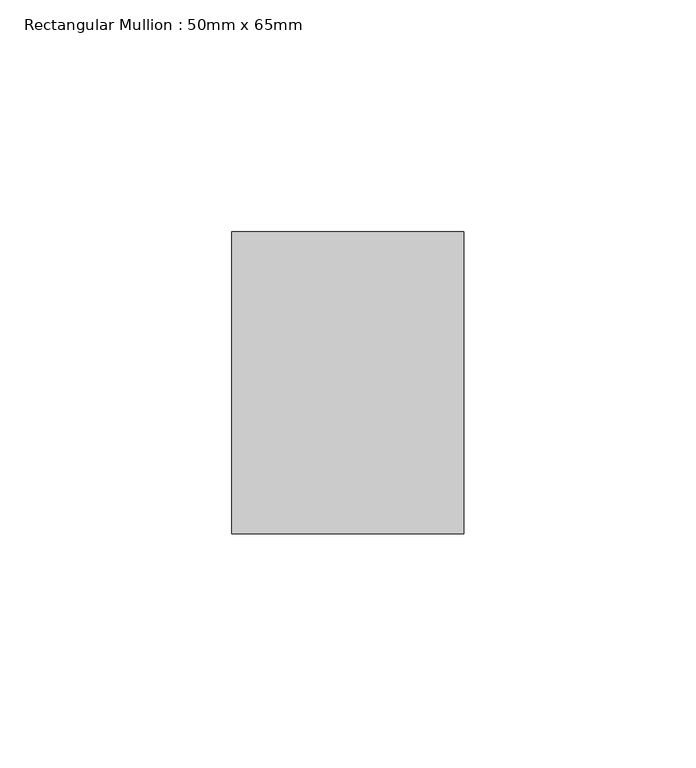
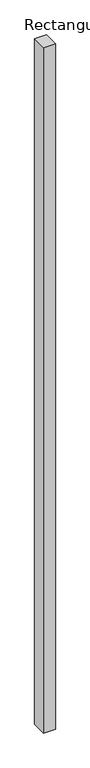
"""IFC4 building model written with IfcOpenShell, lengths in millimetres: member geometry, Rectangular Mullion : 50mm x 65mm."""

from ifc_helpers import new_model, si_unit, frame, origin, place, context, project, spatial, polyline, outline, extrude, source, transform, mapped, element, save


def rectangular_mullion_50mm_x_65mm_f8352f14(model_context):
    return source(origin(), model_context, "Body", "SweptSolid", [
        extrude(outline(polyline([(25.0, 32.5), (25.0, -32.5), (-25.0, -32.5), (-25.0, 32.5), (25.0, 32.5)])), frame((0.0, 0.0, -3078.7111333), z_axis=(0.0, 0.0, 1.0), x_axis=(1.0, 0.0, 0.0)), (0.0, 0.0, 1.0), 3078.7111333),
    ])


if __name__ == "__main__":
    model = new_model("IFC4")
    model_context = context("Model", 3, world=origin())
    ifc_project = project(units=[si_unit("LENGTHUNIT", "METRE", prefix="MILLI")], contexts=[model_context])
    site = spatial("IfcSite", under=ifc_project)
    building = spatial("IfcBuilding", under=site)
    placement = place(None, origin())
    rectangular_mullion_50mm_x_65mm_shape = rectangular_mullion_50mm_x_65mm_f8352f14(model_context)
    element("IfcMember", 1, ObjectType="Rectangular Mullion : 50mm x 65mm", at=placement, inside=building, context=model_context, shape_type="MappedRepresentation", body=[
        mapped(rectangular_mullion_50mm_x_65mm_shape, transform((0.0, 0.0, 0.0), x_axis=(1.0, 0.0, 0.0), y_axis=(0.0, 1.0, 0.0), z_axis=(0.0, 0.0, 1.0))),
    ])
    save(model, "model.ifc")
